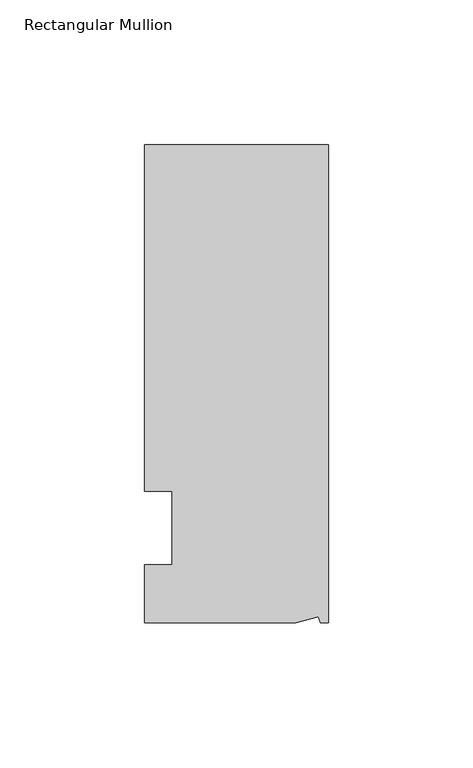
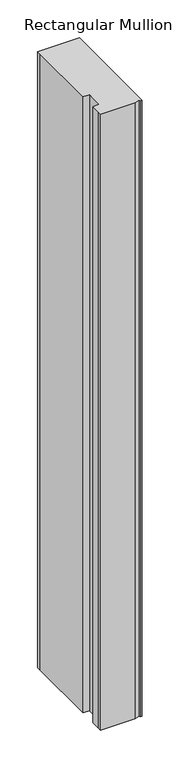
"""IFC4 building model written with IfcOpenShell, lengths in millimetres: member geometry, Rectangular Mullion."""

from ifc_helpers import new_model, si_unit, frame, origin, place, context, project, spatial, polyline, outline, extrude, source, transform, mapped, element, save


def rectangular_mullion_0e3feebc(model_context):
    return source(origin(), model_context, "Body", "SweptSolid", [
        extrude(outline(polyline([(0.0, 132.5561012), (0.0, -32.5438988), (-2.7616541, -32.5438988), (-3.3341886, -30.4622958), (-11.121847, -32.5438988), (-63.5, -32.5438988), (-63.5, -26.1938988), (-63.5, -12.5945801), (-53.975, -12.5945801), (-53.975, 12.8054199), (-63.5, 12.8054199), (-63.5, 126.2061012), (-63.5, 132.5561012), (0.0, 132.5561012)])), frame((0.0, 0.0, -990.6), z_axis=(0.0, 0.0, 1.0), x_axis=(1.0, 0.0, 0.0)), (0.0, 0.0, 1.0), 990.6),
    ])


if __name__ == "__main__":
    model = new_model("IFC4")
    model_context = context("Model", 3, world=origin())
    ifc_project = project(units=[si_unit("LENGTHUNIT", "METRE", prefix="MILLI")], contexts=[model_context])
    site = spatial("IfcSite", under=ifc_project)
    building = spatial("IfcBuilding", under=site)
    placement = place(None, origin())
    rectangular_mullion_shape = rectangular_mullion_0e3feebc(model_context)
    element("IfcMember", 1, ObjectType="Rectangular Mullion", at=placement, inside=building, context=model_context, shape_type="MappedRepresentation", body=[
        mapped(rectangular_mullion_shape, transform((0.0, 0.0, 0.0), x_axis=(1.0, 0.0, 0.0), y_axis=(0.0, 1.0, 0.0), z_axis=(0.0, 0.0, 1.0))),
    ])
    save(model, "model.ifc")
